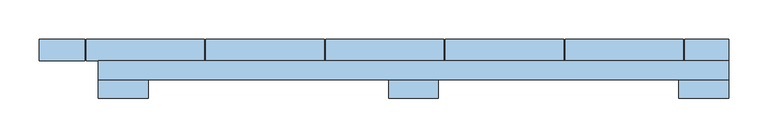
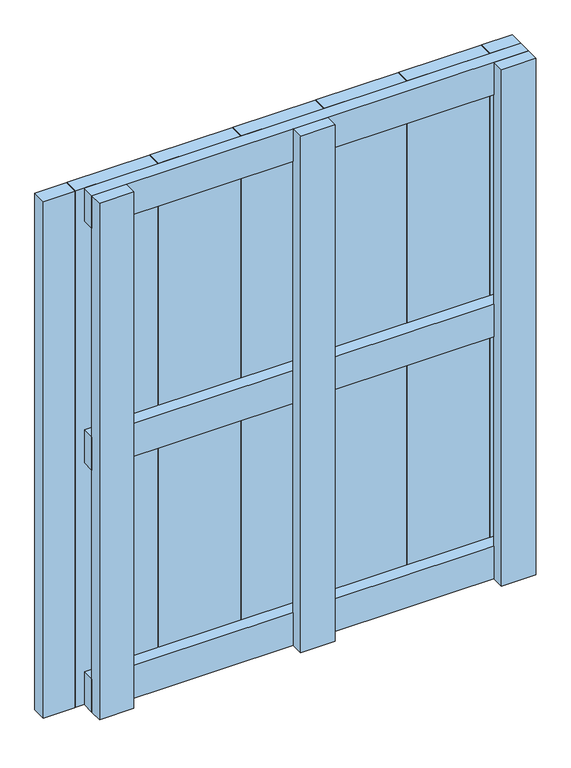
"""IFC4 building model written with IfcOpenShell, lengths in millimetres: window geometry."""

from ifc_helpers import new_model, si_unit, frame, origin, place, context, project, spatial, polyline, outline, extrude, source, transform, mapped, element, save


def window_294f90d2(model_context):
    return source(origin(), model_context, "Body", "SweptSolid", [
        extrude(outline(polyline([(400.0, 53.1), (400.0, 29.1), (-400.0, 29.1), (-400.0, 53.1), (400.0, 53.1)])), frame((0.0, 0.0, 568.5), z_axis=(0.0, 0.0, 1.0), x_axis=(1.0, 0.0, 0.0)), (0.0, 0.0, 1.0), 63.0),
        extrude(outline(polyline([(400.0, 53.0), (400.0, 29.0), (-400.0, 29.0), (-400.0, 53.0), (400.0, 53.0)])), frame((0.0, 0.0, 1037.0), z_axis=(0.0, 0.0, 1.0), x_axis=(1.0, 0.0, 0.0)), (0.0, 0.0, 1.0), 63.0),
        extrude(outline(polyline([(400.0, 53.0), (400.0, 29.0), (-400.0, 29.0), (-400.0, 53.0), (400.0, 53.0)])), frame((0.0, 0.0, 100.0), z_axis=(0.0, 0.0, 1.0), x_axis=(1.0, 0.0, 0.0)), (0.0, 0.0, 1.0), 63.0),
        extrude(outline(polyline([(-415.5, 80.0), (-265.5, 80.0), (-265.5, 53.0), (-415.5, 53.0), (-415.5, 80.0)])), frame((0.0, 0.0, 100.0), z_axis=(0.0, 0.0, 1.0), x_axis=(1.0, 0.0, 0.0)), (0.0, 0.0, 1.0), 1000.0),
        extrude(outline(polyline([(-263.5, 80.0), (-113.5, 80.0), (-113.5, 53.0), (-263.5, 53.0), (-263.5, 80.0)])), frame((0.0, 0.0, 100.0), z_axis=(0.0, 0.0, 1.0), x_axis=(1.0, 0.0, 0.0)), (0.0, 0.0, 1.0), 1000.0),
        extrude(outline(polyline([(-111.5, 80.0), (38.5, 80.0), (38.5, 53.0), (-111.5, 53.0), (-111.5, 80.0)])), frame((0.0, 0.0, 100.0), z_axis=(0.0, 0.0, 1.0), x_axis=(1.0, 0.0, 0.0)), (0.0, 0.0, 1.0), 1000.0),
        extrude(outline(polyline([(40.5, 80.0), (190.5, 80.0), (190.5, 53.0), (40.5, 53.0), (40.5, 80.0)])), frame((0.0, 0.0, 100.0), z_axis=(0.0, 0.0, 1.0), x_axis=(1.0, 0.0, 0.0)), (0.0, 0.0, 1.0), 1000.0),
        extrude(outline(polyline([(192.5, 80.0), (342.5, 80.0), (342.5, 53.0), (192.5, 53.0), (192.5, 80.0)])), frame((0.0, 0.0, 100.0), z_axis=(0.0, 0.0, 1.0), x_axis=(1.0, 0.0, 0.0)), (0.0, 0.0, 1.0), 1000.0),
        extrude(outline(polyline([(-475.0, 80.0), (-417.5, 80.0), (-417.5, 53.0), (-475.0, 53.0), (-475.0, 80.0)])), frame((0.0, 0.0, 100.0), z_axis=(0.0, 0.0, 1.0), x_axis=(1.0, 0.0, 0.0)), (0.0, 0.0, 1.0), 1000.0),
        extrude(outline(polyline([(344.5, 80.0), (400.0, 80.0), (400.0, 53.0), (344.5, 53.0), (344.5, 80.0)])), frame((0.0, 0.0, 100.0), z_axis=(0.0, 0.0, 1.0), x_axis=(1.0, 0.0, 0.0)), (0.0, 0.0, 1.0), 1000.0),
        extrude(outline(polyline([(-31.5, 29.1), (31.5, 29.1), (31.5, 5.1), (-31.5, 5.1), (-31.5, 29.1)])), frame((0.0, 0.0, 100.0), z_axis=(0.0, 0.0, 1.0), x_axis=(1.0, 0.0, 0.0)), (0.0, 0.0, 1.0), 1000.0),
        extrude(outline(polyline([(-400.0, 29.0), (-337.0, 29.0), (-337.0, 5.0), (-400.0, 5.0), (-400.0, 29.0)])), frame((0.0, 0.0, 100.0), z_axis=(0.0, 0.0, 1.0), x_axis=(1.0, 0.0, 0.0)), (0.0, 0.0, 1.0), 1000.0),
        extrude(outline(polyline([(337.0, 29.0), (400.0, 29.0), (400.0, 5.0), (337.0, 5.0), (337.0, 29.0)])), frame((0.0, 0.0, 100.0), z_axis=(0.0, 0.0, 1.0), x_axis=(1.0, 0.0, 0.0)), (0.0, 0.0, 1.0), 1000.0),
    ])


if __name__ == "__main__":
    model = new_model("IFC4")
    model_context = context("Model", 3, world=origin())
    ifc_project = project(units=[si_unit("LENGTHUNIT", "METRE", prefix="MILLI")], contexts=[model_context])
    site = spatial("IfcSite", under=ifc_project)
    building = spatial("IfcBuilding", under=site)
    placement = place(None, origin())
    window_shape = window_294f90d2(model_context)
    element("IfcWindow", 1, at=placement, inside=building, context=model_context, shape_type="MappedRepresentation", body=[
        mapped(window_shape, transform((0.0, 0.0, 0.0), x_axis=(1.0, 0.0, 0.0), y_axis=(0.0, 1.0, 0.0), z_axis=(0.0, 0.0, 1.0))),
    ])
    save(model, "model.ifc")
